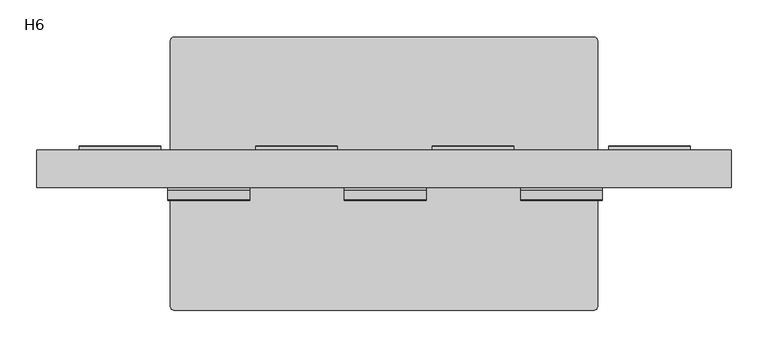
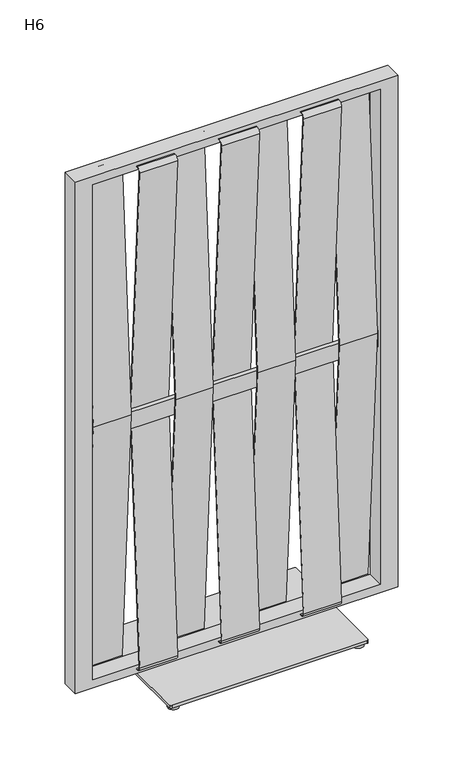
"""IFC4 building model written with IfcOpenShell, lengths in millimetres: furniture geometry, H6."""

from ifc_helpers import new_model, si_unit, point, frame, frame_2d, origin, origin_with_axes, place, context, project, spatial, polyline, circle_curve, trimmed, segment, composite_curve, outline, extrude, source, transform, mapped, element, save


def h6_ef3f1cb6(model_context):
    return source(origin(), model_context, "Body", "SweptSolid", [
        extrude(outline(composite_curve([segment(trimmed(circle_curve(frame_2d((201.3617343, -19.9880343)), 15.08125), [point((216.4429843, -19.9880343))], [point((186.2804843, -19.9880343))], False, "CARTESIAN"), True, "CONTINUOUS"), segment(trimmed(circle_curve(frame_2d((201.3617343, -19.9880343)), 15.08125), [point((186.2804843, -19.9880343))], [point((216.4429843, -19.9880343))], False, "CARTESIAN"), True, "CONTINUOUS")], self_intersect=False)), origin_with_axes(), (0.0, 0.0, 1.0), 12.0),
        extrude(outline(composite_curve([segment(trimmed(circle_curve(frame_2d((741.6132657, -19.9880343)), 15.08125), [point((756.6945157, -19.9880343))], [point((726.5320157, -19.9880343))], False, "CARTESIAN"), True, "CONTINUOUS"), segment(trimmed(circle_curve(frame_2d((741.6132657, -19.9880343)), 15.08125), [point((726.5320157, -19.9880343))], [point((756.6945157, -19.9880343))], False, "CARTESIAN"), True, "CONTINUOUS")], self_intersect=False)), origin_with_axes(), (0.0, 0.0, 1.0), 12.0),
        extrude(outline(composite_curve([segment(trimmed(circle_curve(frame_2d((201.3617343, -351.4869657)), 15.08125), [point((216.4429843, -351.4869657))], [point((186.2804843, -351.4869657))], False, "CARTESIAN"), True, "CONTINUOUS"), segment(trimmed(circle_curve(frame_2d((201.3617343, -351.4869657)), 15.08125), [point((186.2804843, -351.4869657))], [point((216.4429843, -351.4869657))], False, "CARTESIAN"), True, "CONTINUOUS")], self_intersect=False)), origin_with_axes(), (0.0, 0.0, 1.0), 12.0),
        extrude(outline(composite_curve([segment(trimmed(circle_curve(frame_2d((741.6132657, -351.4869657)), 15.08125), [point((756.6945157, -351.4869657))], [point((726.5320157, -351.4869657))], False, "CARTESIAN"), True, "CONTINUOUS"), segment(trimmed(circle_curve(frame_2d((741.6132657, -351.4869657)), 15.08125), [point((726.5320157, -351.4869657))], [point((756.6945157, -351.4869657))], False, "CARTESIAN"), True, "CONTINUOUS")], self_intersect=False)), origin_with_axes(), (0.0, 0.0, 1.0), 12.0),
        extrude(outline(composite_curve([segment(trimmed(circle_curve(frame_2d((756.725, -4.7625)), 4.7625), [point((756.725, 0.0))], [point((761.4875, -4.7625))], False, "CARTESIAN"), True, "CONTINUOUS"), segment(polyline([(761.4875, -4.7625), (761.4875, -366.7125)]), True, "CONTINUOUS"), segment(trimmed(circle_curve(frame_2d((756.725, -366.7125)), 4.7625), [point((761.4875, -366.7125))], [point((756.725, -371.475))], False, "CARTESIAN"), True, "CONTINUOUS"), segment(polyline([(756.725, -371.475), (186.25, -371.475)]), True, "CONTINUOUS"), segment(trimmed(circle_curve(frame_2d((186.25, -366.7125)), 4.7625), [point((186.25, -371.475))], [point((181.4875, -366.7125))], False, "CARTESIAN"), True, "CONTINUOUS"), segment(polyline([(181.4875, -366.7125), (181.4875, -4.7625)]), True, "CONTINUOUS"), segment(trimmed(circle_curve(frame_2d((186.25, -4.7625)), 4.7625), [point((181.4875, -4.7625))], [point((186.25, 0.0))], False, "CARTESIAN"), True, "CONTINUOUS"), segment(polyline([(186.25, 0.0), (756.725, 0.0)]), True, "CONTINUOUS")], self_intersect=False)), frame((0.0, 0.0, 12.0), z_axis=(0.0, 0.0, 1.0), x_axis=(1.0, 0.0, 0.0)), (0.0, 0.0, 1.0), 8.0),
        extrude(outline(polyline([(892.1749758, -179.3240016), (892.1749758, -192.0239985), (50.8000015, -192.0239985), (50.8000015, -179.3240016), (892.1749758, -179.3240016)])), frame((0.0, 0.0, 771.9999637), z_axis=(0.0, 0.0, 1.0), x_axis=(1.0, 0.0, 0.0)), (0.0, 0.0, 1.0), 50.8000242),
        extrude(outline(polyline([(20.0, 942.975), (1600.2, 942.975), (1600.2, 0.0), (20.0, 0.0), (20.0, 942.975)]), holes=[polyline([(1574.7999516, 50.8000015), (1574.7999516, 892.1749758), (45.3999985, 892.1749758), (45.3999985, 50.8000015), (1574.7999516, 50.8000015)])]), frame((0.0, -204.7240046, 0.0), z_axis=(0.0, 1.0, 0.0), x_axis=(0.0, 0.0, 1.0)), (0.0, 0.0, 1.0), 50.8000061),
        extrude(outline(composite_curve([segment(polyline([(-199.4424315, 34.5377964), (-211.307991, 34.9521509)]), True, "CONTINUOUS"), segment(trimmed(circle_curve(frame_2d((-210.9201703, 46.0578815)), 11.1125), [point((-211.307991, 34.9521509))], [point((-222.0190455, 46.6079956))], False, "CARTESIAN"), True, "CONTINUOUS"), segment(polyline([(-222.0190455, 46.6079956), (-175.7978451, 818.3353743), (-221.4938704, 1574.6012776)]), True, "CONTINUOUS"), segment(trimmed(circle_curve(frame_2d((-208.8096069, 1575.2333069)), 12.7), [point((-221.4938704, 1574.6012776))], [point((-208.8096069, 1587.9333069))], False, "CARTESIAN"), True, "CONTINUOUS"), segment(polyline([(-208.8096069, 1587.9333069), (-199.4197499, 1587.9333069), (-199.4197499, 1586.3458069), (-208.8096069, 1586.3458069)]), True, "CONTINUOUS"), segment(trimmed(circle_curve(frame_2d((-208.8096069, 1575.2333069)), 11.1125), [point((-208.8096069, 1586.3458069))], [point((-219.9083374, 1574.6802812))], True, "CARTESIAN"), True, "CONTINUOUS"), segment(polyline([(-219.9083374, 1574.6802812), (-174.208386, 818.3355827), (-220.4334919, 46.5294078)]), True, "CONTINUOUS"), segment(trimmed(circle_curve(frame_2d((-210.9201703, 46.0578815)), 9.525), [point((-220.4334919, 46.5294078))], [point((-211.252588, 36.5386839))], True, "CARTESIAN"), True, "CONTINUOUS"), segment(polyline([(-211.252588, 36.5386839), (-199.3870285, 36.1243294), (-199.4424315, 34.5377964)]), True, "CONTINUOUS")], self_intersect=False)), frame((178.0805001, 0.0, 0.0), z_axis=(1.0, 0.0, 0.0), x_axis=(0.0, 1.0, 0.0)), (0.0, 0.0, 1.0), 110.9075472),
        extrude(outline(composite_curve([segment(polyline([(-199.4424315, 34.5377964), (-211.307991, 34.9521509)]), True, "CONTINUOUS"), segment(trimmed(circle_curve(frame_2d((-210.9201703, 46.0578815)), 11.1125), [point((-211.307991, 34.9521509))], [point((-222.0190455, 46.6079956))], False, "CARTESIAN"), True, "CONTINUOUS"), segment(polyline([(-222.0190455, 46.6079956), (-175.7978451, 818.3353743), (-221.4938704, 1574.6012776)]), True, "CONTINUOUS"), segment(trimmed(circle_curve(frame_2d((-208.8096069, 1575.2333069)), 12.7), [point((-221.4938704, 1574.6012776))], [point((-208.8096069, 1587.9333069))], False, "CARTESIAN"), True, "CONTINUOUS"), segment(polyline([(-208.8096069, 1587.9333069), (-199.4197499, 1587.9333069), (-199.4197499, 1586.3458069), (-208.8096069, 1586.3458069)]), True, "CONTINUOUS"), segment(trimmed(circle_curve(frame_2d((-208.8096069, 1575.2333069)), 11.1125), [point((-208.8096069, 1586.3458069))], [point((-219.9083374, 1574.6802812))], True, "CARTESIAN"), True, "CONTINUOUS"), segment(polyline([(-219.9083374, 1574.6802812), (-174.208386, 818.3355827), (-220.4334919, 46.5294078)]), True, "CONTINUOUS"), segment(trimmed(circle_curve(frame_2d((-210.9201703, 46.0578815)), 9.525), [point((-220.4334919, 46.5294078))], [point((-211.252588, 36.5386839))], True, "CARTESIAN"), True, "CONTINUOUS"), segment(polyline([(-211.252588, 36.5386839), (-199.3870285, 36.1243294), (-199.4424315, 34.5377964)]), True, "CONTINUOUS")], self_intersect=False)), frame((417.676395, 0.0, 0.0), z_axis=(1.0, 0.0, 0.0), x_axis=(0.0, 1.0, 0.0)), (0.0, 0.0, 1.0), 110.9075109),
        extrude(outline(composite_curve([segment(polyline([(-199.4424315, 34.5377964), (-211.307991, 34.9521509)]), True, "CONTINUOUS"), segment(trimmed(circle_curve(frame_2d((-210.9201703, 46.0578815)), 11.1125), [point((-211.307991, 34.9521509))], [point((-222.0190455, 46.6079956))], False, "CARTESIAN"), True, "CONTINUOUS"), segment(polyline([(-222.0190455, 46.6079956), (-175.7978451, 818.3353743), (-221.4938704, 1574.6012776)]), True, "CONTINUOUS"), segment(trimmed(circle_curve(frame_2d((-208.8096069, 1575.2333069)), 12.7), [point((-221.4938704, 1574.6012776))], [point((-208.8096069, 1587.9333069))], False, "CARTESIAN"), True, "CONTINUOUS"), segment(polyline([(-208.8096069, 1587.9333069), (-199.4197499, 1587.9333069), (-199.4197499, 1586.3458069), (-208.8096069, 1586.3458069)]), True, "CONTINUOUS"), segment(trimmed(circle_curve(frame_2d((-208.8096069, 1575.2333069)), 11.1125), [point((-208.8096069, 1586.3458069))], [point((-219.9083374, 1574.6802812))], True, "CARTESIAN"), True, "CONTINUOUS"), segment(polyline([(-219.9083374, 1574.6802812), (-174.208386, 818.3355827), (-220.4334919, 46.5294078)]), True, "CONTINUOUS"), segment(trimmed(circle_curve(frame_2d((-210.9201703, 46.0578815)), 9.525), [point((-220.4334919, 46.5294078))], [point((-211.252588, 36.5386839))], True, "CARTESIAN"), True, "CONTINUOUS"), segment(polyline([(-211.252588, 36.5386839), (-199.3870285, 36.1243294), (-199.4424315, 34.5377964)]), True, "CONTINUOUS")], self_intersect=False)), frame((657.2722355, 0.0, 0.0), z_axis=(1.0, 0.0, 0.0), x_axis=(0.0, 1.0, 0.0)), (0.0, 0.0, 1.0), 110.9075472),
        extrude(outline(composite_curve([segment(polyline([(-159.3538682, 34.9521509), (-171.2194278, 34.5377964), (-171.2748307, 36.1243294), (-159.4092712, 36.5386839)]), True, "CONTINUOUS"), segment(trimmed(circle_curve(frame_2d((-159.7416889, 46.0578815)), 9.525), [point((-159.4092712, 36.5386839))], [point((-150.2283673, 46.5294078))], True, "CARTESIAN"), True, "CONTINUOUS"), segment(polyline([(-150.2283673, 46.5294078), (-196.4534733, 818.3355827), (-150.7535218, 1574.6802812)]), True, "CONTINUOUS"), segment(trimmed(circle_curve(frame_2d((-161.8522523, 1575.2333069)), 11.1125), [point((-150.7535218, 1574.6802812))], [point((-161.8522523, 1586.3458069))], True, "CARTESIAN"), True, "CONTINUOUS"), segment(polyline([(-161.8522523, 1586.3458069), (-171.2421093, 1586.3458069), (-171.2421093, 1587.9333069), (-161.8522523, 1587.9333069)]), True, "CONTINUOUS"), segment(trimmed(circle_curve(frame_2d((-161.8522523, 1575.2333069)), 12.7), [point((-161.8522523, 1587.9333069))], [point((-149.1679889, 1574.6012776))], False, "CARTESIAN"), True, "CONTINUOUS"), segment(polyline([(-149.1679889, 1574.6012776), (-194.8640141, 818.3353743), (-148.6428137, 46.6079956)]), True, "CONTINUOUS"), segment(trimmed(circle_curve(frame_2d((-159.7416889, 46.0578815)), 11.1125), [point((-148.6428137, 46.6079956))], [point((-159.3538682, 34.9521509))], False, "CARTESIAN"), True, "CONTINUOUS")], self_intersect=False)), frame((776.3972862, 0.0, 0.0), z_axis=(1.0, 0.0, 0.0), x_axis=(0.0, 1.0, 0.0)), (0.0, 0.0, 1.0), 110.9074927),
        extrude(outline(composite_curve([segment(polyline([(-171.2194278, 34.5377964), (-171.2748307, 36.1243294), (-159.4092712, 36.5386839)]), True, "CONTINUOUS"), segment(trimmed(circle_curve(frame_2d((-159.7416889, 46.0578815)), 9.525), [point((-159.4092712, 36.5386839))], [point((-150.2283673, 46.5294078))], True, "CARTESIAN"), True, "CONTINUOUS"), segment(polyline([(-150.2283673, 46.5294078), (-196.4534733, 818.3355827), (-150.7535218, 1574.6802812)]), True, "CONTINUOUS"), segment(trimmed(circle_curve(frame_2d((-161.8522523, 1575.2333069)), 11.1125), [point((-150.7535218, 1574.6802812))], [point((-161.8522523, 1586.3458069))], True, "CARTESIAN"), True, "CONTINUOUS"), segment(polyline([(-161.8522523, 1586.3458069), (-171.2421093, 1586.3458069), (-171.2421093, 1587.9333069), (-161.8522523, 1587.9333069)]), True, "CONTINUOUS"), segment(trimmed(circle_curve(frame_2d((-161.8522523, 1575.2333069)), 12.7), [point((-161.8522523, 1587.9333069))], [point((-149.1679889, 1574.6012776))], False, "CARTESIAN"), True, "CONTINUOUS"), segment(polyline([(-149.1679889, 1574.6012776), (-194.8640141, 818.3353743), (-148.6428137, 46.6079956)]), True, "CONTINUOUS"), segment(trimmed(circle_curve(frame_2d((-159.7416889, 46.0578815)), 11.1125), [point((-148.6428137, 46.6079956))], [point((-159.3538682, 34.9521509))], False, "CARTESIAN"), True, "CONTINUOUS"), segment(polyline([(-159.3538682, 34.9521509), (-171.2194278, 34.5377964)]), True, "CONTINUOUS")], self_intersect=False)), frame((57.6096604, 0.0, 0.0), z_axis=(1.0, 0.0, 0.0), x_axis=(0.0, 1.0, 0.0)), (0.0, 0.0, 1.0), 110.9075426),
        extrude(outline(composite_curve([segment(polyline([(-159.3538682, 34.9521509), (-171.2194278, 34.5377964), (-171.2748307, 36.1243294), (-159.4092712, 36.5386839)]), True, "CONTINUOUS"), segment(trimmed(circle_curve(frame_2d((-159.7416889, 46.0578815)), 9.525), [point((-159.4092712, 36.5386839))], [point((-150.2283673, 46.5294078))], True, "CARTESIAN"), True, "CONTINUOUS"), segment(polyline([(-150.2283673, 46.5294078), (-196.4534733, 818.3355827), (-150.7535218, 1574.6802812)]), True, "CONTINUOUS"), segment(trimmed(circle_curve(frame_2d((-161.8522523, 1575.2333069)), 11.1125), [point((-150.7535218, 1574.6802812))], [point((-161.8522523, 1586.3458069))], True, "CARTESIAN"), True, "CONTINUOUS"), segment(polyline([(-161.8522523, 1586.3458069), (-171.2421093, 1586.3458069), (-171.2421093, 1587.9333069), (-161.8522523, 1587.9333069)]), True, "CONTINUOUS"), segment(trimmed(circle_curve(frame_2d((-161.8522523, 1575.2333069)), 12.7), [point((-161.8522523, 1587.9333069))], [point((-149.1679889, 1574.6012776))], False, "CARTESIAN"), True, "CONTINUOUS"), segment(polyline([(-149.1679889, 1574.6012776), (-194.8640141, 818.3353743), (-148.6428137, 46.6079956)]), True, "CONTINUOUS"), segment(trimmed(circle_curve(frame_2d((-159.7416889, 46.0578815)), 11.1125), [point((-148.6428137, 46.6079956))], [point((-159.3538682, 34.9521509))], False, "CARTESIAN"), True, "CONTINUOUS")], self_intersect=False)), frame((297.2055508, 0.0, 0.0), z_axis=(1.0, 0.0, 0.0), x_axis=(0.0, 1.0, 0.0)), (0.0, 0.0, 1.0), 110.9075109),
        extrude(outline(composite_curve([segment(polyline([(-159.3538682, 34.9521509), (-171.2194278, 34.5377964), (-171.2748307, 36.1243294), (-159.4092712, 36.5386839)]), True, "CONTINUOUS"), segment(trimmed(circle_curve(frame_2d((-159.7416889, 46.0578815)), 9.525), [point((-159.4092712, 36.5386839))], [point((-150.2283673, 46.5294078))], True, "CARTESIAN"), True, "CONTINUOUS"), segment(polyline([(-150.2283673, 46.5294078), (-196.4534733, 818.3355827), (-150.7535218, 1574.6802812)]), True, "CONTINUOUS"), segment(trimmed(circle_curve(frame_2d((-161.8522523, 1575.2333069)), 11.1125), [point((-150.7535218, 1574.6802812))], [point((-161.8522523, 1586.3458069))], True, "CARTESIAN"), True, "CONTINUOUS"), segment(polyline([(-161.8522523, 1586.3458069), (-171.2421093, 1586.3458069), (-171.2421093, 1587.9333069), (-161.8522523, 1587.9333069)]), True, "CONTINUOUS"), segment(trimmed(circle_curve(frame_2d((-161.8522523, 1575.2333069)), 12.7), [point((-161.8522523, 1587.9333069))], [point((-149.1679889, 1574.6012776))], False, "CARTESIAN"), True, "CONTINUOUS"), segment(polyline([(-149.1679889, 1574.6012776), (-194.8640141, 818.3353743), (-148.6428137, 46.6079956)]), True, "CONTINUOUS"), segment(trimmed(circle_curve(frame_2d((-159.7416889, 46.0578815)), 11.1125), [point((-148.6428137, 46.6079956))], [point((-159.3538682, 34.9521509))], False, "CARTESIAN"), True, "CONTINUOUS")], self_intersect=False)), frame((536.8014094, 0.0, 0.0), z_axis=(1.0, 0.0, 0.0), x_axis=(0.0, 1.0, 0.0)), (0.0, 0.0, 1.0), 110.907529),
    ])


if __name__ == "__main__":
    model = new_model("IFC4")
    model_context = context("Model", 3, world=origin())
    ifc_project = project(units=[si_unit("LENGTHUNIT", "METRE", prefix="MILLI")], contexts=[model_context])
    site = spatial("IfcSite", under=ifc_project)
    building = spatial("IfcBuilding", under=site)
    placement = place(None, origin())
    h6_shape = h6_ef3f1cb6(model_context)
    element("IfcFurniture", 1, ObjectType="H6", at=placement, inside=building, context=model_context, shape_type="MappedRepresentation", body=[
        mapped(h6_shape, transform((0.0, 0.0, 0.0), x_axis=(1.0, 0.0, 0.0), y_axis=(0.0, 1.0, 0.0), z_axis=(0.0, 0.0, 1.0))),
    ])
    save(model, "model.ifc")
